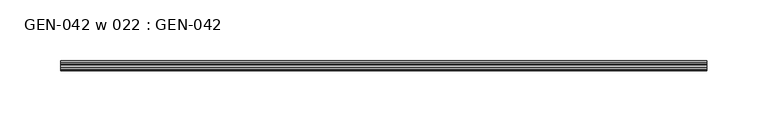
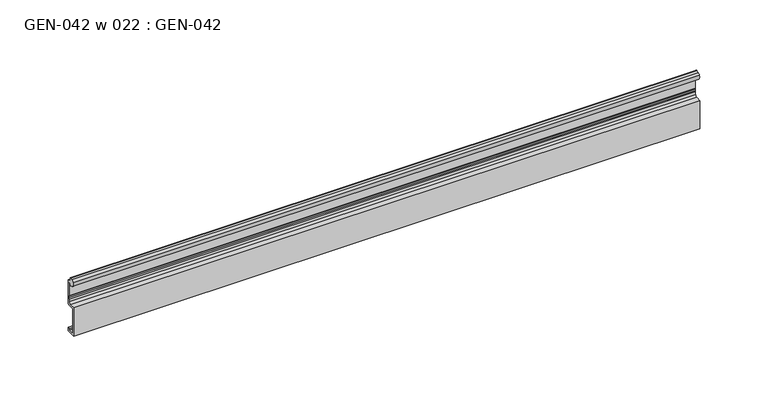
"""IFC4 building model written with IfcOpenShell, lengths in millimetres: proxy geometry, GEN-042 w 022 : GEN-042."""

import ifcopenshell
import ifcopenshell.guid

model = None  # the IFC model being written
_history = None  # IfcOwnerHistory: only IFC2X3 demands one
_inside = {}  # id of a spatial element -> (the spatial element, [elements in it])
_under = {}  # id of a project, library or spatial element -> (it, [spatial elements below it])
_declared = {}  # id of a project -> (the project, [libraries it declares])
_typed = {}  # id of a type object -> (the type object, [elements of that type])
_made_of = {}  # id of a material, layer set ... -> (it, [elements and type objects made of it])


def new_model(schema):
    """Start an empty IFC model of exactly this schema.

    Asked for "IFC4X3", IfcOpenShell would pick the latest addendum, in which some entities
    have other attributes; the version numbers below select the first issue.
    IFC2X3 requires an IfcOwnerHistory on every rooted entity: one is made here for all.
    """
    global model, _history
    if schema == "IFC4X3":
        model = ifcopenshell.file(schema_version=(4, 3, 0, 0))
    else:
        model = ifcopenshell.file(schema=schema)
    _inside.clear()
    _under.clear()
    _declared.clear()
    _typed.clear()
    _made_of.clear()
    _history = None
    if model.schema == "IFC2X3":
        org = make("IfcOrganization", Name="unknown")
        user = make(
            "IfcPersonAndOrganization",
            ThePerson=make("IfcPerson", FamilyName="unknown"),
            TheOrganization=org,
        )
        app = make(
            "IfcApplication",
            ApplicationDeveloper=org,
            Version="unknown",
            ApplicationFullName="unknown",
            ApplicationIdentifier="unknown",
        )
        _history = make(
            "IfcOwnerHistory",
            OwningUser=user,
            OwningApplication=app,
            ChangeAction="ADDED",
            CreationDate=0,
        )
    return model


def make(cls, **values):
    """One entity of the class cls with the attributes given. An attribute that is None is left unset."""
    return model.create_entity(
        cls, **{name: value for name, value in values.items() if value is not None}
    )


def rooted(cls, **values):
    """An entity with a GlobalId (a new one), such as an element, a storey or a relation."""
    return make(cls, GlobalId=ifcopenshell.guid.new(), OwnerHistory=_history, **values)


def si_unit(unit_type, name, prefix=None):
    """IfcSIUnit, for example si_unit("LENGTHUNIT", "METRE", prefix="MILLI")."""
    return make("IfcSIUnit", UnitType=unit_type, Prefix=prefix, Name=name)


def assignment(units):
    """IfcUnitAssignment: the units of a project."""
    return None if units is None else make("IfcUnitAssignment", Units=units)


def point(xyz):
    """IfcCartesianPoint."""
    return None if xyz is None else make("IfcCartesianPoint", Coordinates=xyz)


def direction(xyz):
    """IfcDirection."""
    return None if xyz is None else make("IfcDirection", DirectionRatios=xyz)


def frame(location, z_axis=None, x_axis=None):
    """IfcAxis2Placement3D, a coordinate frame: its origin and axes. An axis left out is left unset."""
    return make(
        "IfcAxis2Placement3D",
        Location=point(location),
        Axis=direction(z_axis),
        RefDirection=direction(x_axis),
    )


def frame_2d(location, x_axis=None):
    """IfcAxis2Placement2D, a coordinate frame in the plane: its origin and x axis."""
    return make(
        "IfcAxis2Placement2D", Location=point(location), RefDirection=direction(x_axis)
    )


def origin():
    """The frame at (0, 0, 0) with its axes left unset."""
    return frame((0.0, 0.0, 0.0))


def place(relative_to, where):
    """IfcLocalPlacement: puts the frame where relative to a parent placement (None: the world)."""
    return make(
        "IfcLocalPlacement", PlacementRelTo=relative_to, RelativePlacement=where
    )


def context(
    kind, dimensions, precision=None, world=None, true_north=None, identifier=None
):
    """IfcGeometricRepresentationContext, for example the 3D "Model" context."""
    return make(
        "IfcGeometricRepresentationContext",
        ContextIdentifier=identifier,
        ContextType=kind,
        CoordinateSpaceDimension=dimensions,
        Precision=precision,
        WorldCoordinateSystem=world,
        TrueNorth=true_north,
    )


def project(units=None, contexts=None):
    """IfcProject with its units and contexts."""
    return rooted(
        "IfcProject",
        Name="project",
        RepresentationContexts=contexts,
        UnitsInContext=assignment(units),
    )


def spatial(cls, under=None, at=None, **own):
    """A site, building, storey or space (cls), placed at a placement, below another one or the project."""
    s = rooted(cls, ObjectPlacement=at, **own)
    if under is not None:
        _under.setdefault(under.id(), (under, []))[1].append(s)
    return s


def polyline(points):
    """IfcPolyline through the points."""
    return make("IfcPolyline", Points=[point(p) for p in points])


def circle_curve(where, radius):
    """IfcCircle in the frame where."""
    return make("IfcCircle", Position=where, Radius=radius)


def trimmed(basis, trim1, trim2, sense, master):
    """IfcTrimmedCurve: the piece of a basis curve between two trims."""
    return make(
        "IfcTrimmedCurve",
        BasisCurve=basis,
        Trim1=trim1,
        Trim2=trim2,
        SenseAgreement=sense,
        MasterRepresentation=master,
    )


def segment(curve, same_sense, transition):
    """IfcCompositeCurveSegment."""
    return make(
        "IfcCompositeCurveSegment",
        Transition=transition,
        SameSense=same_sense,
        ParentCurve=curve,
    )


def composite_curve(segments, self_intersect=None):
    """IfcCompositeCurve: segments joined end to end."""
    return make("IfcCompositeCurve", Segments=segments, SelfIntersect=self_intersect)


def outline(outer, holes=None, kind="AREA"):
    """IfcArbitraryClosedProfileDef: a profile drawn as a closed curve; with holes, ...WithVoids."""
    if holes is None:
        return make("IfcArbitraryClosedProfileDef", ProfileType=kind, OuterCurve=outer)
    return make(
        "IfcArbitraryProfileDefWithVoids",
        ProfileType=kind,
        OuterCurve=outer,
        InnerCurves=holes,
    )


def extrude(swept, where, along, depth):
    """IfcExtrudedAreaSolid: the profile swept, set in the frame where, extruded along a direction by depth."""
    return make(
        "IfcExtrudedAreaSolid",
        SweptArea=swept,
        Position=where,
        ExtrudedDirection=direction(along),
        Depth=depth,
    )


def shape(context_of_items, identifier, shape_type, items):
    """IfcShapeRepresentation: the items that make up one representation, for example the "Body"."""
    return make(
        "IfcShapeRepresentation",
        ContextOfItems=context_of_items,
        RepresentationIdentifier=identifier,
        RepresentationType=shape_type,
        Items=items,
    )


def source(mapping_origin, context_of_items, identifier, shape_type, items):
    """IfcRepresentationMap: a shape defined once, which mapped items show again and again."""
    return make(
        "IfcRepresentationMap",
        MappingOrigin=mapping_origin,
        MappedRepresentation=shape(context_of_items, identifier, shape_type, items),
    )


def transform(
    local_origin,
    x_axis=None,
    y_axis=None,
    z_axis=None,
    scale=None,
    scale2=None,
    scale3=None,
    uniform=True,
):
    """IfcCartesianTransformationOperator3D, or its non-uniform kind. x_axis, y_axis, z_axis: its Axis1, 2, 3."""
    if uniform:
        return make(
            "IfcCartesianTransformationOperator3D",
            Axis1=direction(x_axis),
            Axis2=direction(y_axis),
            LocalOrigin=point(local_origin),
            Scale=scale,
            Axis3=direction(z_axis),
        )
    return make(
        "IfcCartesianTransformationOperator3DnonUniform",
        Axis1=direction(x_axis),
        Axis2=direction(y_axis),
        LocalOrigin=point(local_origin),
        Scale=scale,
        Axis3=direction(z_axis),
        Scale2=scale2,
        Scale3=scale3,
    )


def mapped(mapping_source, mapping_target):
    """IfcMappedItem: shows the shape of a source again, moved by a transform."""
    return make(
        "IfcMappedItem", MappingSource=mapping_source, MappingTarget=mapping_target
    )


def made_of(thing, what):
    """Note that an element or type object is made of a material, layer set ...; save() writes the relation."""
    if what is not None:
        _made_of.setdefault(what.id(), (what, []))[1].append(thing)
    return thing


def element(
    cls,
    number,
    at=None,
    inside=None,
    cuts=None,
    type_object=None,
    material=None,
    context=None,
    identifier="Body",
    shape_type=None,
    held_by="IfcProductDefinitionShape",
    body=None,
    shapes=None,
    **own,
):
    """One element of the class cls, such as IfcWall. Its Tag is "e" and its number.

    at: its placement. inside: the storey or other place that contains it. cuts: it is an
    opening in that element (IfcRelVoidsElement). A single representation is given by context,
    identifier, shape_type and body (its items); several are given by shapes. held_by: the class
    of the entity that holds the representations. save() writes the other relations.
    """
    e = rooted(cls, Tag="e%d" % number, ObjectPlacement=at, **own)
    if body is not None:
        shapes = [shape(context, identifier, shape_type, body)]
    if shapes is not None:
        e.Representation = make(held_by, Representations=shapes)
    if inside is not None:
        _inside.setdefault(inside.id(), (inside, []))[1].append(e)
    if cuts is not None:
        rooted(
            "IfcRelVoidsElement", RelatingBuildingElement=cuts, RelatedOpeningElement=e
        )
    if type_object is not None:
        _typed.setdefault(type_object.id(), (type_object, []))[1].append(e)
    return made_of(e, material)


def aggregate(whole, parts):
    """IfcRelAggregates: a whole, such as a stair, and the parts it consists of."""
    return rooted("IfcRelAggregates", RelatingObject=whole, RelatedObjects=parts)


def save(model, path):
    """Write the relations noted so far, then the file.

    IfcRelAggregates (storeys below a building ...), IfcRelContainedInSpatialStructure (elements
    in a storey), IfcRelDefinesByType, IfcRelAssociatesMaterial and IfcRelDeclares: one each for
    every whole, place, type object, material and project.
    """
    for whole, parts in _under.values():
        aggregate(whole, parts)
    for where, things in _inside.values():
        rooted(
            "IfcRelContainedInSpatialStructure",
            RelatedElements=things,
            RelatingStructure=where,
        )
    for kind, things in _typed.values():
        rooted("IfcRelDefinesByType", RelatedObjects=things, RelatingType=kind)
    for what, things in _made_of.values():
        rooted("IfcRelAssociatesMaterial", RelatedObjects=things, RelatingMaterial=what)
    for by, libraries in _declared.values():
        rooted("IfcRelDeclares", RelatingContext=by, RelatedDefinitions=libraries)
    model.write(path)


def gen_042_w_022_gen_042_371b0d96(model_context):
    return source(origin(), model_context, "Body", "SweptSolid", [
        extrude(outline(composite_curve([segment(polyline([(0.0, 0.0), (-7.9375, 0.0), (-7.9375, 25.4040844), (-3.175, 25.4040844)]), True, "CONTINUOUS"), segment(trimmed(circle_curve(frame_2d((-3.175, 26.9915844)), 1.5875), [point((-3.175, 25.4040844))], [point((-1.5875, 26.9915844))], True, "CARTESIAN"), True, "CONTINUOUS"), segment(polyline([(-1.5875, 26.9915844), (-1.5875, 29.3702129), (-1.0783361, 30.2876325), (-1.0783361, 31.6277933), (-1.5875, 32.5452129), (-1.5875, 43.7328249)]), True, "CONTINUOUS"), segment(trimmed(circle_curve(frame_2d((-2.0955, 43.7328249)), 0.508), [point((-1.5875, 43.7328249))], [point((-2.1123834, 44.2405443))], True, "CARTESIAN"), True, "CONTINUOUS"), segment(trimmed(circle_curve(frame_2d((-2.1330622, 43.4788249)), 0.762), [point((-2.1123834, 44.2405443))], [point((-2.8720827, 43.293103))], True, "CARTESIAN"), True, "CONTINUOUS"), segment(trimmed(circle_curve(frame_2d((-3.4254762, 43.1540307)), 0.5706009), [point((-2.8720827, 43.293103))], [point((-3.6135887, 42.6153294))], False, "CARTESIAN"), True, "CONTINUOUS"), segment(polyline([(-3.6135887, 42.6153294), (-5.4099313, 43.1759885)]), True, "CONTINUOUS"), segment(trimmed(circle_curve(frame_2d((-4.5018192, 46.0855651)), 3.048), [point((-5.4099313, 43.1759885))], [point((-7.1037699, 47.6730651))], False, "CARTESIAN"), True, "CONTINUOUS"), segment(trimmed(circle_curve(frame_2d((-4.5018192, 46.0855651)), 3.048), [point((-7.1037699, 47.6730651))], [point((-5.4099313, 48.9951418))], False, "CARTESIAN"), True, "CONTINUOUS"), segment(polyline([(-5.4099313, 48.9951418), (-3.5749842, 49.5678497)]), True, "CONTINUOUS"), segment(trimmed(circle_curve(frame_2d((-3.3646912, 49.1479351)), 0.4696291), [point((-3.5749842, 49.5678497))], [point((-2.8950622, 49.1479351))], False, "CARTESIAN"), True, "CONTINUOUS"), segment(polyline([(-2.8950622, 49.1479351), (-2.8950622, 47.6063249)]), True, "CONTINUOUS"), segment(trimmed(circle_curve(frame_2d((-1.3075622, 47.6063249)), 1.5875), [point((-2.8950622, 47.6063249))], [point((-1.3075622, 46.0188249))], True, "CARTESIAN"), True, "CONTINUOUS"), segment(polyline([(-1.3075622, 46.0188249), (0.0, 46.0188249), (0.0, 25.3813249)]), True, "CONTINUOUS"), segment(trimmed(circle_curve(frame_2d((-1.5875, 25.3813249)), 1.5875), [point((0.0, 25.3813249))], [point((-1.5875, 23.7938249))], False, "CARTESIAN"), True, "CONTINUOUS"), segment(polyline([(-1.5875, 23.7938249), (-6.35, 23.7938249), (-6.35, 1.5875), (-1.5875, 1.5875), (-1.5875, 3.175), (0.0, 3.175), (0.0, 0.0)]), True, "CONTINUOUS")], self_intersect=False)), frame((0.0, 0.0, 0.0), z_axis=(1.0, 0.0, 0.0), x_axis=(0.0, 1.0, 0.0)), (0.0, 0.0, 1.0), 530.225),
    ])


if __name__ == "__main__":
    model = new_model("IFC4")
    model_context = context("Model", 3, world=origin())
    ifc_project = project(units=[si_unit("LENGTHUNIT", "METRE", prefix="MILLI")], contexts=[model_context])
    site = spatial("IfcSite", under=ifc_project)
    building = spatial("IfcBuilding", under=site)
    placement = place(None, origin())
    gen_042_w_022_gen_042_shape = gen_042_w_022_gen_042_371b0d96(model_context)
    element("IfcBuildingElementProxy", 1, Name="GEN-042 w 022 : GEN-042", ObjectType="GEN-042 w 022 : GEN-042", at=placement, inside=building, context=model_context, shape_type="MappedRepresentation", body=[
        mapped(gen_042_w_022_gen_042_shape, transform((0.0, 0.0, 0.0), x_axis=(1.0, 0.0, 0.0), y_axis=(0.0, 1.0, 0.0), z_axis=(0.0, 0.0, 1.0))),
    ])
    save(model, "model.ifc")
